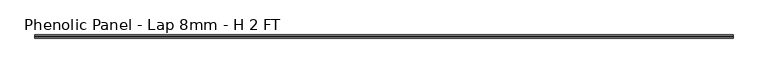
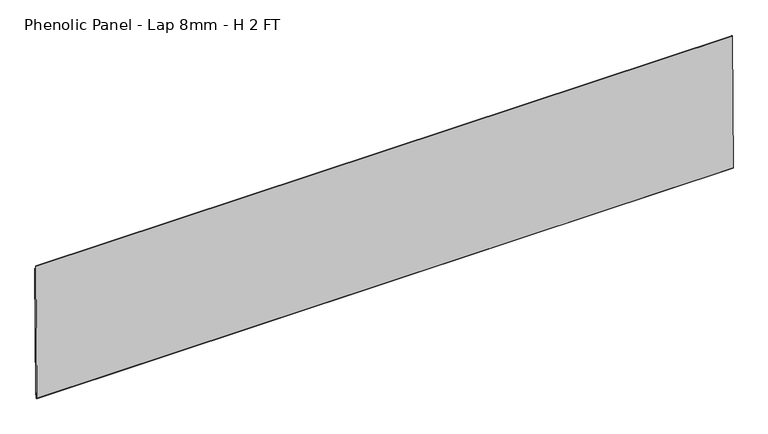
"""IFC4 building model written with IfcOpenShell, lengths in millimetres: proxy geometry, Phenolic Panel - Lap 8mm - H 2 FT."""

from ifc_helpers import new_model, si_unit, frame, origin, place, context, project, spatial, polyline, outline, extrude, source, transform, mapped, element, save


def phenolic_panel_lap_8mm_h_2_ft_1dbf42ab(model_context):
    return source(origin(), model_context, "Body", "SweptSolid", [
        extrude(outline(polyline([(2.7732555, 593.6735917), (-2.7736212, 15.850215), (-5.1547614, 15.873073), (-5.0785681, 23.8102073), (-7.6581367, 23.8349701), (-7.8867168, 0.0235672), (-9.8571575, 0.0424827), (-10.8534851, 1.0581244), (-5.0211492, 608.618069), (-4.0055075, 609.6143966), (-2.6240021, 609.6011347), (-2.7763888, 593.7268661), (2.7732555, 593.6735917)])), frame((-1825.625, 0.0, 0.0), z_axis=(1.0, 0.0, 0.0), x_axis=(0.0, 1.0, 0.0)), (0.0, 0.0, 1.0), 3044.825),
    ])


if __name__ == "__main__":
    model = new_model("IFC4")
    model_context = context("Model", 3, world=origin())
    ifc_project = project(units=[si_unit("LENGTHUNIT", "METRE", prefix="MILLI")], contexts=[model_context])
    site = spatial("IfcSite", under=ifc_project)
    building = spatial("IfcBuilding", under=site)
    placement = place(None, origin())
    phenolic_panel_lap_8mm_h_2_ft_shape = phenolic_panel_lap_8mm_h_2_ft_1dbf42ab(model_context)
    element("IfcBuildingElementProxy", 1, Name="Phenolic Panel - Lap 8mm - H 2 FT", ObjectType="Phenolic Panel - Lap 8mm - H 2 FT", at=placement, inside=building, context=model_context, shape_type="MappedRepresentation", body=[
        mapped(phenolic_panel_lap_8mm_h_2_ft_shape, transform((0.0, 0.0, 0.0), x_axis=(1.0, 0.0, 0.0), y_axis=(0.0, 1.0, 0.0), z_axis=(0.0, 0.0, 1.0))),
    ])
    save(model, "model.ifc")
